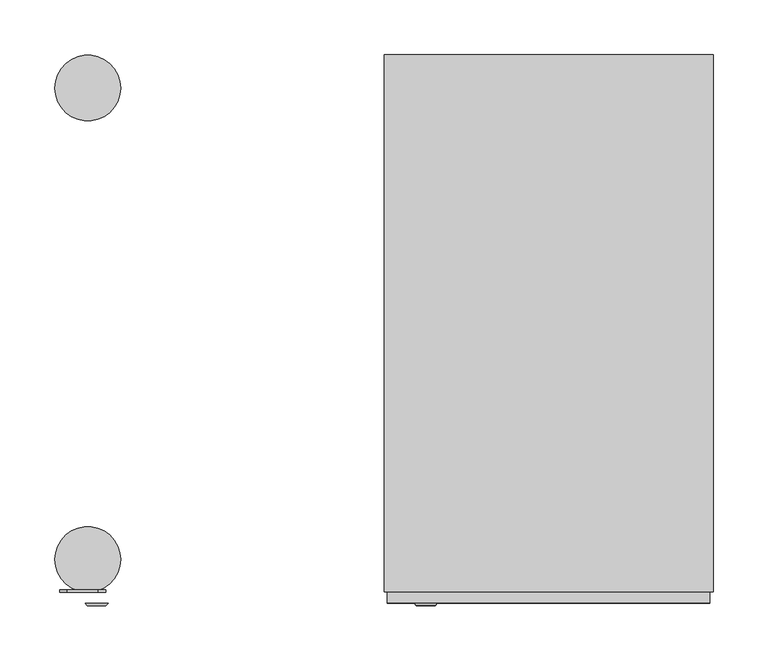
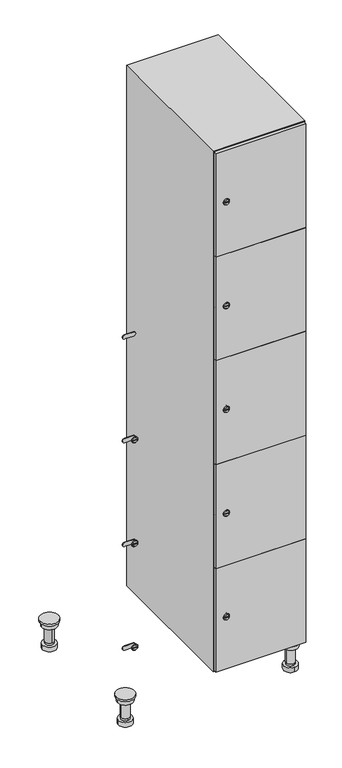
"""IFC4 building model written with IfcOpenShell, lengths in millimetres: furniture geometry."""

from ifc_helpers import new_model, si_unit, point, frame, frame_2d, origin, place, context, project, spatial, polyline, circle_curve, trimmed, segment, composite_curve, outline, extrude, faceted_brep, source, transform, mapped, element, save
from ifc_brep_helpers import plane_surface, cylinder_surface, revolved_surface, advanced_brep


def furniture_24fc3f90(model_context):
    return source(origin(), model_context, "Body", "SolidModel", [
        advanced_brep(
        [(370.0, -201.0, 22.0), (370.0, -201.5, 16.0), (370.0, -228.5, 16.0), (370.0, -229.0, 22.0), (356.0, -215.0, 22.0), (384.0, -215.0, 22.0), (370.0, -192.5, 16.0), (370.0, -237.5, 16.0), (370.0, -192.5, 0.0), (370.0, -237.5, 0.0), (384.0, -215.0, 78.0), (356.0, -215.0, 78.0), (395.0, -215.0, 78.0), (345.0, -215.0, 78.0), (400.0, -215.0, 94.0), (340.0, -215.0, 94.0), (345.0, -215.0, 94.0), (395.0, -215.0, 94.0), (400.0, -215.0, 100.0), (340.0, -215.0, 100.0)],
        [
            (0, 1),
            (1, 2, circle_curve(frame((370.0, -215.0, 16.0), z_axis=(0.0, 0.0, 1.0), x_axis=(0.0, -1.0, 0.0)), 13.5)),
            (2, 3),
            (3, 4, circle_curve(frame((370.0, -215.0, 22.0), z_axis=(0.0, 0.0, -1.0), x_axis=(0.0, -1.0, 0.0)), 14.0)),
            (4, 0, circle_curve(frame((370.0, -215.0, 22.0), z_axis=(0.0, 0.0, -1.0), x_axis=(0.0, -1.0, 0.0)), 14.0)),
            (0, 5, circle_curve(frame((370.0, -215.0, 22.0), z_axis=(0.0, 0.0, -1.0), x_axis=(0.0, 1.0, 0.0)), 14.0)),
            (5, 3, circle_curve(frame((370.0, -215.0, 22.0), z_axis=(0.0, 0.0, -1.0), x_axis=(0.0, 1.0, 0.0)), 14.0)),
            (2, 1, circle_curve(frame((370.0, -215.0, 16.0), z_axis=(0.0, 0.0, 1.0), x_axis=(0.0, 1.0, 0.0)), 13.5)),
            (6, 7, circle_curve(frame((370.0, -215.0, 16.0), z_axis=(0.0, 0.0, 1.0), x_axis=(0.0, -1.0, 0.0)), 22.5)),
            (7, 6, circle_curve(frame((370.0, -215.0, 16.0), z_axis=(0.0, 0.0, 1.0), x_axis=(0.0, -1.0, 0.0)), 22.5)),
            (8, 9, circle_curve(frame((370.0, -215.0, 0.0), z_axis=(0.0, 0.0, -1.0), x_axis=(0.0, -1.0, 0.0)), 22.5)),
            (9, 8, circle_curve(frame((370.0, -215.0, 0.0), z_axis=(0.0, 0.0, -1.0), x_axis=(0.0, -1.0, 0.0)), 22.5)),
            (6, 8),
            (9, 7),
            (5, 10),
            (10, 11, circle_curve(frame((370.0, -215.0, 78.0), z_axis=(0.0, 0.0, -1.0), x_axis=(-1.0, 0.0, 0.0)), 14.0)),
            (11, 4),
            (11, 10, circle_curve(frame((370.0, -215.0, 78.0), z_axis=(0.0, 0.0, -1.0), x_axis=(-1.0, 0.0, 0.0)), 14.0)),
            (12, 13, circle_curve(frame((370.0, -215.0, 78.0), z_axis=(0.0, 0.0, -1.0), x_axis=(-1.0, 0.0, 0.0)), 25.0)),
            (13, 12, circle_curve(frame((370.0, -215.0, 78.0), z_axis=(0.0, 0.0, -1.0), x_axis=(-1.0, 0.0, 0.0)), 25.0)),
            (14, 15, circle_curve(frame((370.0, -215.0, 94.0), z_axis=(0.0, 0.0, -1.0), x_axis=(-1.0, 0.0, 0.0)), 30.0)),
            (15, 14, circle_curve(frame((370.0, -215.0, 94.0), z_axis=(0.0, 0.0, -1.0), x_axis=(-1.0, 0.0, 0.0)), 30.0)),
            (16, 17, circle_curve(frame((370.0, -215.0, 94.0), z_axis=(0.0, 0.0, 1.0), x_axis=(-1.0, 0.0, 0.0)), 25.0)),
            (17, 16, circle_curve(frame((370.0, -215.0, 94.0), z_axis=(0.0, 0.0, 1.0), x_axis=(-1.0, 0.0, 0.0)), 25.0)),
            (18, 19, circle_curve(frame((370.0, -215.0, 100.0), z_axis=(0.0, 0.0, 1.0), x_axis=(-1.0, 0.0, 0.0)), 30.0)),
            (19, 18, circle_curve(frame((370.0, -215.0, 100.0), z_axis=(0.0, 0.0, 1.0), x_axis=(-1.0, 0.0, 0.0)), 30.0)),
            (14, 18),
            (19, 15),
            (12, 17),
            (16, 13),
        ],
        [
            revolved_surface(polyline([(370.0, -201.5, 16.0), (370.0, -201.0, 22.0)]), (370.0, -215.0, -146.0), (0.0, 0.0, 1.0)),
            plane_surface(frame((370.0, 0.0, 16.0), z_axis=(0.0, 0.0, 1.0), x_axis=(0.0, -1.0, 0.0))),
            plane_surface(frame((370.0, 0.0, 0.0), z_axis=(0.0, 0.0, -1.0), x_axis=(0.0, -1.0, 0.0))),
            cylinder_surface(frame((370.0, -215.0, 16.0), z_axis=(0.0, 0.0, 1.0), x_axis=(0.0, -1.0, 0.0)), 22.5),
            cylinder_surface(frame((370.0, -215.0, 22.0), z_axis=(0.0, 0.0, -1.0), x_axis=(-1.0, 0.0, 0.0)), 14.0),
            plane_surface(frame((370.0, 0.0, 78.0), z_axis=(0.0, 0.0, -1.0), x_axis=(0.0, -1.0, 0.0))),
            plane_surface(frame((370.0, 0.0, 94.0), z_axis=(0.0, 0.0, -1.0), x_axis=(0.0, -1.0, 0.0))),
            plane_surface(frame((370.0, 0.0, 100.0), z_axis=(0.0, 0.0, 1.0), x_axis=(0.0, -1.0, 0.0))),
            cylinder_surface(frame((370.0, -215.0, 94.0), z_axis=(0.0, 0.0, -1.0), x_axis=(-1.0, 0.0, 0.0)), 30.0),
            cylinder_surface(frame((370.0, -215.0, 78.0), z_axis=(0.0, 0.0, -1.0), x_axis=(-1.0, 0.0, 0.0)), 25.0),
        ],
        [
            (0, [[1, 2, 3, 4, 5]]),
            (0, [[-1, 6, 7, -3, 8]]),
            (1, [[9, 10], [-2, -8]]),
            (2, [[11, 12]]),
            (3, [[-9, 13, -12, 14]]),
            (3, [[-10, -14, -11, -13]]),
            (4, [[15, 16, 17, -4, -7]]),
            (4, [[-15, -6, -5, -17, 18]]),
            (5, [[19, 20], [-16, -18]]),
            (6, [[21, 22], [23, 24]]),
            (7, [[25, 26]]),
            (8, [[-21, 27, -26, 28]]),
            (8, [[-22, -28, -25, -27]]),
            (9, [[-19, 29, -23, 30]]),
            (9, [[-20, -30, -24, -29]]),
        ],
    ),
        advanced_brep(
        [(-170.0, -201.0, 22.0), (-170.0, -201.5, 16.0), (-170.0, -228.5, 16.0), (-170.0, -229.0, 22.0), (-184.0, -215.0, 22.0), (-156.0, -215.0, 22.0), (-147.5, -215.0, 0.0), (-192.5, -215.0, 0.0), (-147.5, -215.0, 16.0), (-192.5, -215.0, 16.0), (-156.0, -215.0, 78.0), (-184.0, -215.0, 78.0), (-145.0, -215.0, 78.0), (-195.0, -215.0, 78.0), (-140.0, -215.0, 94.0), (-200.0, -215.0, 94.0), (-195.0, -215.0, 94.0), (-145.0, -215.0, 94.0), (-140.0, -215.0, 100.0), (-200.0, -215.0, 100.0)],
        [
            (0, 1),
            (1, 2, circle_curve(frame((-170.0, -215.0, 16.0), z_axis=(0.0, 0.0, 1.0), x_axis=(0.0, -1.0, 0.0)), 13.5)),
            (2, 3),
            (3, 4, circle_curve(frame((-170.0, -215.0, 22.0), z_axis=(0.0, 0.0, -1.0), x_axis=(0.0, -1.0, 0.0)), 14.0)),
            (4, 0, circle_curve(frame((-170.0, -215.0, 22.0), z_axis=(0.0, 0.0, -1.0), x_axis=(0.0, -1.0, 0.0)), 14.0)),
            (0, 5, circle_curve(frame((-170.0, -215.0, 22.0), z_axis=(0.0, 0.0, -1.0), x_axis=(0.0, 1.0, 0.0)), 14.0)),
            (5, 3, circle_curve(frame((-170.0, -215.0, 22.0), z_axis=(0.0, 0.0, -1.0), x_axis=(0.0, 1.0, 0.0)), 14.0)),
            (2, 1, circle_curve(frame((-170.0, -215.0, 16.0), z_axis=(0.0, 0.0, 1.0), x_axis=(0.0, 1.0, 0.0)), 13.5)),
            (6, 7, circle_curve(frame((-170.0, -215.0, 0.0), z_axis=(0.0, 0.0, -1.0), x_axis=(-1.0, 0.0, 0.0)), 22.5)),
            (7, 6, circle_curve(frame((-170.0, -215.0, 0.0), z_axis=(0.0, 0.0, -1.0), x_axis=(-1.0, 0.0, 0.0)), 22.5)),
            (8, 9, circle_curve(frame((-170.0, -215.0, 16.0), z_axis=(0.0, 0.0, 1.0), x_axis=(-1.0, 0.0, 0.0)), 22.5)),
            (9, 8, circle_curve(frame((-170.0, -215.0, 16.0), z_axis=(0.0, 0.0, 1.0), x_axis=(-1.0, 0.0, 0.0)), 22.5)),
            (6, 8),
            (9, 7),
            (5, 10),
            (10, 11, circle_curve(frame((-170.0, -215.0, 78.0), z_axis=(0.0, 0.0, -1.0), x_axis=(-1.0, 0.0, 0.0)), 14.0)),
            (11, 4),
            (11, 10, circle_curve(frame((-170.0, -215.0, 78.0), z_axis=(0.0, 0.0, -1.0), x_axis=(-1.0, 0.0, 0.0)), 14.0)),
            (12, 13, circle_curve(frame((-170.0, -215.0, 78.0), z_axis=(0.0, 0.0, -1.0), x_axis=(-1.0, 0.0, 0.0)), 25.0)),
            (13, 12, circle_curve(frame((-170.0, -215.0, 78.0), z_axis=(0.0, 0.0, -1.0), x_axis=(-1.0, 0.0, 0.0)), 25.0)),
            (14, 15, circle_curve(frame((-170.0, -215.0, 94.0), z_axis=(0.0, 0.0, -1.0), x_axis=(-1.0, 0.0, 0.0)), 30.0)),
            (15, 14, circle_curve(frame((-170.0, -215.0, 94.0), z_axis=(0.0, 0.0, -1.0), x_axis=(-1.0, 0.0, 0.0)), 30.0)),
            (16, 17, circle_curve(frame((-170.0, -215.0, 94.0), z_axis=(0.0, 0.0, 1.0), x_axis=(-1.0, 0.0, 0.0)), 25.0)),
            (17, 16, circle_curve(frame((-170.0, -215.0, 94.0), z_axis=(0.0, 0.0, 1.0), x_axis=(-1.0, 0.0, 0.0)), 25.0)),
            (18, 19, circle_curve(frame((-170.0, -215.0, 100.0), z_axis=(0.0, 0.0, 1.0), x_axis=(-1.0, 0.0, 0.0)), 30.0)),
            (19, 18, circle_curve(frame((-170.0, -215.0, 100.0), z_axis=(0.0, 0.0, 1.0), x_axis=(-1.0, 0.0, 0.0)), 30.0)),
            (14, 18),
            (19, 15),
            (12, 17),
            (16, 13),
        ],
        [
            revolved_surface(polyline([(-170.0, -201.5, 16.0), (-170.0, -201.0, 22.0)]), (-170.0, -215.0, -146.0), (0.0, 0.0, 1.0)),
            plane_surface(frame((-170.0, 0.0, 0.0), z_axis=(0.0, 0.0, -1.0), x_axis=(0.0, -1.0, 0.0))),
            plane_surface(frame((-170.0, 0.0, 16.0), z_axis=(0.0, 0.0, 1.0), x_axis=(0.0, -1.0, 0.0))),
            cylinder_surface(frame((-170.0, -215.0, 0.0), z_axis=(0.0, 0.0, -1.0), x_axis=(-1.0, 0.0, 0.0)), 22.5),
            cylinder_surface(frame((-170.0, -215.0, 22.0), z_axis=(0.0, 0.0, -1.0), x_axis=(-1.0, 0.0, 0.0)), 14.0),
            plane_surface(frame((-170.0, 0.0, 78.0), z_axis=(0.0, 0.0, -1.0), x_axis=(0.0, -1.0, 0.0))),
            plane_surface(frame((-170.0, 0.0, 94.0), z_axis=(0.0, 0.0, -1.0), x_axis=(0.0, -1.0, 0.0))),
            plane_surface(frame((-170.0, 0.0, 100.0), z_axis=(0.0, 0.0, 1.0), x_axis=(0.0, -1.0, 0.0))),
            cylinder_surface(frame((-170.0, -215.0, 94.0), z_axis=(0.0, 0.0, -1.0), x_axis=(-1.0, 0.0, 0.0)), 30.0),
            cylinder_surface(frame((-170.0, -215.0, 78.0), z_axis=(0.0, 0.0, -1.0), x_axis=(-1.0, 0.0, 0.0)), 25.0),
        ],
        [
            (0, [[1, 2, 3, 4, 5]]),
            (0, [[-1, 6, 7, -3, 8]]),
            (1, [[9, 10]]),
            (2, [[11, 12], [-2, -8]]),
            (3, [[-9, 13, -12, 14]]),
            (3, [[-10, -14, -11, -13]]),
            (4, [[15, 16, 17, -4, -7]]),
            (4, [[-15, -6, -5, -17, 18]]),
            (5, [[19, 20], [-16, -18]]),
            (6, [[21, 22], [23, 24]]),
            (7, [[25, 26]]),
            (8, [[-21, 27, -26, 28]]),
            (8, [[-22, -28, -25, -27]]),
            (9, [[-19, 29, -23, 30]]),
            (9, [[-20, -30, -24, -29]]),
        ],
    ),
        advanced_brep(
        [(383.5, 215.0, 16.0), (384.0, 215.0, 22.0), (356.0, 215.0, 22.0), (356.5, 215.0, 16.0), (392.5, 215.0, 0.0), (347.5, 215.0, 0.0), (392.5, 215.0, 16.0), (347.5, 215.0, 16.0), (384.0, 215.0, 78.0), (356.0, 215.0, 78.0), (395.0, 215.0, 78.0), (345.0, 215.0, 78.0), (400.0, 215.0, 94.0), (340.0, 215.0, 94.0), (345.0, 215.0, 94.0), (395.0, 215.0, 94.0), (400.0, 215.0, 100.0), (340.0, 215.0, 100.0)],
        [
            (0, 1),
            (1, 2, circle_curve(frame((370.0, 215.0, 22.0), z_axis=(0.0, 0.0, -1.0), x_axis=(-1.0, 0.0, 0.0)), 14.0)),
            (2, 3),
            (3, 0, circle_curve(frame((370.0, 215.0, 16.0), z_axis=(0.0, 0.0, 1.0), x_axis=(-1.0, 0.0, 0.0)), 13.5)),
            (0, 3, circle_curve(frame((370.0, 215.0, 16.0), z_axis=(0.0, 0.0, 1.0), x_axis=(1.0, 0.0, 0.0)), 13.5)),
            (2, 1, circle_curve(frame((370.0, 215.0, 22.0), z_axis=(0.0, 0.0, -1.0), x_axis=(1.0, 0.0, 0.0)), 14.0)),
            (4, 5, circle_curve(frame((370.0, 215.0, 0.0), z_axis=(0.0, 0.0, -1.0), x_axis=(-1.0, 0.0, 0.0)), 22.5)),
            (5, 4, circle_curve(frame((370.0, 215.0, 0.0), z_axis=(0.0, 0.0, -1.0), x_axis=(-1.0, 0.0, 0.0)), 22.5)),
            (6, 7, circle_curve(frame((370.0, 215.0, 16.0), z_axis=(0.0, 0.0, 1.0), x_axis=(-1.0, 0.0, 0.0)), 22.5)),
            (7, 6, circle_curve(frame((370.0, 215.0, 16.0), z_axis=(0.0, 0.0, 1.0), x_axis=(-1.0, 0.0, 0.0)), 22.5)),
            (4, 6),
            (7, 5),
            (1, 8),
            (8, 9, circle_curve(frame((370.0, 215.0, 78.0), z_axis=(0.0, 0.0, -1.0), x_axis=(-1.0, 0.0, 0.0)), 14.0)),
            (9, 2),
            (9, 8, circle_curve(frame((370.0, 215.0, 78.0), z_axis=(0.0, 0.0, -1.0), x_axis=(-1.0, 0.0, 0.0)), 14.0)),
            (10, 11, circle_curve(frame((370.0, 215.0, 78.0), z_axis=(0.0, 0.0, -1.0), x_axis=(-1.0, 0.0, 0.0)), 25.0)),
            (11, 10, circle_curve(frame((370.0, 215.0, 78.0), z_axis=(0.0, 0.0, -1.0), x_axis=(-1.0, 0.0, 0.0)), 25.0)),
            (12, 13, circle_curve(frame((370.0, 215.0, 94.0), z_axis=(0.0, 0.0, -1.0), x_axis=(-1.0, 0.0, 0.0)), 30.0)),
            (13, 12, circle_curve(frame((370.0, 215.0, 94.0), z_axis=(0.0, 0.0, -1.0), x_axis=(-1.0, 0.0, 0.0)), 30.0)),
            (14, 15, circle_curve(frame((370.0, 215.0, 94.0), z_axis=(0.0, 0.0, 1.0), x_axis=(-1.0, 0.0, 0.0)), 25.0)),
            (15, 14, circle_curve(frame((370.0, 215.0, 94.0), z_axis=(0.0, 0.0, 1.0), x_axis=(-1.0, 0.0, 0.0)), 25.0)),
            (16, 17, circle_curve(frame((370.0, 215.0, 100.0), z_axis=(0.0, 0.0, 1.0), x_axis=(-1.0, 0.0, 0.0)), 30.0)),
            (17, 16, circle_curve(frame((370.0, 215.0, 100.0), z_axis=(0.0, 0.0, 1.0), x_axis=(-1.0, 0.0, 0.0)), 30.0)),
            (12, 16),
            (17, 13),
            (10, 15),
            (14, 11),
        ],
        [
            revolved_surface(polyline([(383.5, 215.0, 16.0), (384.0, 215.0, 22.0)]), (370.0, 215.0, -146.0), (0.0, 0.0, 1.0)),
            plane_surface(frame((370.0, 0.0, 0.0), z_axis=(0.0, 0.0, -1.0), x_axis=(0.0, -1.0, 0.0))),
            plane_surface(frame((370.0, 0.0, 16.0), z_axis=(0.0, 0.0, 1.0), x_axis=(0.0, -1.0, 0.0))),
            cylinder_surface(frame((370.0, 215.0, 0.0), z_axis=(0.0, 0.0, -1.0), x_axis=(-1.0, 0.0, 0.0)), 22.5),
            cylinder_surface(frame((370.0, 215.0, 22.0), z_axis=(0.0, 0.0, -1.0), x_axis=(-1.0, 0.0, 0.0)), 14.0),
            plane_surface(frame((370.0, 0.0, 78.0), z_axis=(0.0, 0.0, -1.0), x_axis=(0.0, -1.0, 0.0))),
            plane_surface(frame((370.0, 0.0, 94.0), z_axis=(0.0, 0.0, -1.0), x_axis=(0.0, -1.0, 0.0))),
            plane_surface(frame((370.0, 0.0, 100.0), z_axis=(0.0, 0.0, 1.0), x_axis=(0.0, -1.0, 0.0))),
            cylinder_surface(frame((370.0, 215.0, 94.0), z_axis=(0.0, 0.0, -1.0), x_axis=(-1.0, 0.0, 0.0)), 30.0),
            cylinder_surface(frame((370.0, 215.0, 78.0), z_axis=(0.0, 0.0, -1.0), x_axis=(-1.0, 0.0, 0.0)), 25.0),
        ],
        [
            (0, [[1, 2, 3, 4]]),
            (0, [[-1, 5, -3, 6]]),
            (1, [[7, 8]]),
            (2, [[9, 10], [-4, -5]]),
            (3, [[-7, 11, -10, 12]]),
            (3, [[-8, -12, -9, -11]]),
            (4, [[13, 14, 15, -2]]),
            (4, [[-13, -6, -15, 16]]),
            (5, [[17, 18], [-14, -16]]),
            (6, [[19, 20], [21, 22]]),
            (7, [[23, 24]]),
            (8, [[-19, 25, -24, 26]]),
            (8, [[-20, -26, -23, -25]]),
            (9, [[-17, 27, -21, 28]]),
            (9, [[-18, -28, -22, -27]]),
        ],
    ),
        advanced_brep(
        [(-156.5, 215.0, 16.0), (-156.0, 215.0, 22.0), (-170.0, 201.0, 22.0), (-184.0, 215.0, 22.0), (-183.5, 215.0, 16.0), (-170.0, 229.0, 22.0), (-147.5, 215.0, 0.0), (-192.5, 215.0, 0.0), (-147.5, 215.0, 16.0), (-192.5, 215.0, 16.0), (-170.0, 229.0, 78.0), (-170.0, 201.0, 78.0), (-145.0, 215.0, 78.0), (-195.0, 215.0, 78.0), (-140.0, 215.0, 94.0), (-200.0, 215.0, 94.0), (-195.0, 215.0, 94.0), (-145.0, 215.0, 94.0), (-140.0, 215.0, 100.0), (-200.0, 215.0, 100.0)],
        [
            (0, 1),
            (1, 2, circle_curve(frame((-170.0, 215.0, 22.0), z_axis=(0.0, 0.0, -1.0), x_axis=(-1.0, 0.0, 0.0)), 14.0)),
            (2, 3, circle_curve(frame((-170.0, 215.0, 22.0), z_axis=(0.0, 0.0, -1.0), x_axis=(-1.0, 0.0, 0.0)), 14.0)),
            (3, 4),
            (4, 0, circle_curve(frame((-170.0, 215.0, 16.0), z_axis=(0.0, 0.0, 1.0), x_axis=(-1.0, 0.0, 0.0)), 13.5)),
            (0, 4, circle_curve(frame((-170.0, 215.0, 16.0), z_axis=(0.0, 0.0, 1.0), x_axis=(1.0, 0.0, 0.0)), 13.5)),
            (3, 5, circle_curve(frame((-170.0, 215.0, 22.0), z_axis=(0.0, 0.0, -1.0), x_axis=(1.0, 0.0, 0.0)), 14.0)),
            (5, 1, circle_curve(frame((-170.0, 215.0, 22.0), z_axis=(0.0, 0.0, -1.0), x_axis=(1.0, 0.0, 0.0)), 14.0)),
            (6, 7, circle_curve(frame((-170.0, 215.0, 0.0), z_axis=(0.0, 0.0, -1.0), x_axis=(-1.0, 0.0, 0.0)), 22.5)),
            (7, 6, circle_curve(frame((-170.0, 215.0, 0.0), z_axis=(0.0, 0.0, -1.0), x_axis=(-1.0, 0.0, 0.0)), 22.5)),
            (8, 9, circle_curve(frame((-170.0, 215.0, 16.0), z_axis=(0.0, 0.0, 1.0), x_axis=(-1.0, 0.0, 0.0)), 22.5)),
            (9, 8, circle_curve(frame((-170.0, 215.0, 16.0), z_axis=(0.0, 0.0, 1.0), x_axis=(-1.0, 0.0, 0.0)), 22.5)),
            (6, 8),
            (9, 7),
            (10, 5),
            (2, 11),
            (11, 10, circle_curve(frame((-170.0, 215.0, 78.0), z_axis=(0.0, 0.0, -1.0), x_axis=(0.0, -1.0, 0.0)), 14.0)),
            (10, 11, circle_curve(frame((-170.0, 215.0, 78.0), z_axis=(0.0, 0.0, -1.0), x_axis=(0.0, -1.0, 0.0)), 14.0)),
            (12, 13, circle_curve(frame((-170.0, 215.0, 78.0), z_axis=(0.0, 0.0, -1.0), x_axis=(-1.0, 0.0, 0.0)), 25.0)),
            (13, 12, circle_curve(frame((-170.0, 215.0, 78.0), z_axis=(0.0, 0.0, -1.0), x_axis=(-1.0, 0.0, 0.0)), 25.0)),
            (14, 15, circle_curve(frame((-170.0, 215.0, 94.0), z_axis=(0.0, 0.0, -1.0), x_axis=(-1.0, 0.0, 0.0)), 30.0)),
            (15, 14, circle_curve(frame((-170.0, 215.0, 94.0), z_axis=(0.0, 0.0, -1.0), x_axis=(-1.0, 0.0, 0.0)), 30.0)),
            (16, 17, circle_curve(frame((-170.0, 215.0, 94.0), z_axis=(0.0, 0.0, 1.0), x_axis=(-1.0, 0.0, 0.0)), 25.0)),
            (17, 16, circle_curve(frame((-170.0, 215.0, 94.0), z_axis=(0.0, 0.0, 1.0), x_axis=(-1.0, 0.0, 0.0)), 25.0)),
            (18, 19, circle_curve(frame((-170.0, 215.0, 100.0), z_axis=(0.0, 0.0, 1.0), x_axis=(-1.0, 0.0, 0.0)), 30.0)),
            (19, 18, circle_curve(frame((-170.0, 215.0, 100.0), z_axis=(0.0, 0.0, 1.0), x_axis=(-1.0, 0.0, 0.0)), 30.0)),
            (14, 18),
            (19, 15),
            (12, 17),
            (16, 13),
        ],
        [
            revolved_surface(polyline([(-156.5, 215.0, 16.0), (-156.0, 215.0, 22.0)]), (-170.0, 215.0, -146.0), (0.0, 0.0, 1.0)),
            plane_surface(frame((-170.0, 0.0, 0.0), z_axis=(0.0, 0.0, -1.0), x_axis=(0.0, -1.0, 0.0))),
            plane_surface(frame((-170.0, 0.0, 16.0), z_axis=(0.0, 0.0, 1.0), x_axis=(0.0, -1.0, 0.0))),
            cylinder_surface(frame((-170.0, 215.0, 0.0), z_axis=(0.0, 0.0, -1.0), x_axis=(-1.0, 0.0, 0.0)), 22.5),
            cylinder_surface(frame((-170.0, 215.0, 78.0), z_axis=(0.0, 0.0, 1.0), x_axis=(0.0, -1.0, 0.0)), 14.0),
            plane_surface(frame((-170.0, 0.0, 78.0), z_axis=(0.0, 0.0, -1.0), x_axis=(0.0, -1.0, 0.0))),
            plane_surface(frame((-170.0, 0.0, 94.0), z_axis=(0.0, 0.0, -1.0), x_axis=(0.0, -1.0, 0.0))),
            plane_surface(frame((-170.0, 0.0, 100.0), z_axis=(0.0, 0.0, 1.0), x_axis=(0.0, -1.0, 0.0))),
            cylinder_surface(frame((-170.0, 215.0, 94.0), z_axis=(0.0, 0.0, -1.0), x_axis=(-1.0, 0.0, 0.0)), 30.0),
            cylinder_surface(frame((-170.0, 215.0, 78.0), z_axis=(0.0, 0.0, -1.0), x_axis=(-1.0, 0.0, 0.0)), 25.0),
        ],
        [
            (0, [[1, 2, 3, 4, 5]]),
            (0, [[-1, 6, -4, 7, 8]]),
            (1, [[9, 10]]),
            (2, [[11, 12], [-5, -6]]),
            (3, [[-9, 13, -12, 14]]),
            (3, [[-10, -14, -11, -13]]),
            (4, [[15, -7, -3, 16, 17]]),
            (4, [[-15, 18, -16, -2, -8]]),
            (5, [[19, 20], [-17, -18]]),
            (6, [[21, 22], [23, 24]]),
            (7, [[25, 26]]),
            (8, [[-21, 27, -26, 28]]),
            (8, [[-22, -28, -25, -27]]),
            (9, [[-19, 29, -23, 30]]),
            (9, [[-20, -30, -24, -29]]),
        ],
    ),
        extrude(outline(composite_curve([segment(trimmed(circle_curve(frame_2d((282.4, 111.2010534)), 7.0), [point((289.4, 111.2010534))], [point((275.4, 111.2010534))], False, "CARTESIAN"), True, "CONTINUOUS"), segment(polyline([(275.4, 111.2010534), (275.4, 139.2010534)]), True, "CONTINUOUS"), segment(trimmed(circle_curve(frame_2d((282.4, 139.2010534)), 7.0), [point((275.4, 139.2010534))], [point((289.4, 139.2010534))], False, "CARTESIAN"), True, "CONTINUOUS"), segment(polyline([(289.4, 139.2010534), (289.4, 111.2010534)]), True, "CONTINUOUS")], self_intersect=False)), frame((0.0, -245.0, 0.0), z_axis=(0.0, 1.0, 0.0), x_axis=(0.0, 0.0, 1.0)), (0.0, 0.0, 1.0), 2.0),
        advanced_brep(
        [(146.5, -257.2, 282.4), (129.5, -257.2, 282.4), (133.0, -257.2, 281.15), (133.0, -257.2, 283.65), (143.0, -257.2, 283.65), (143.0, -257.2, 281.15), (148.5, -255.0, 282.4), (127.5, -255.0, 282.4), (133.0, -255.0, 283.65), (133.0, -255.0, 281.15), (143.0, -255.0, 281.15), (143.0, -255.0, 283.65)],
        [
            (0, 1, circle_curve(frame((138.0, -257.2, 282.4), z_axis=(0.0, -1.0, 0.0), x_axis=(1.0, 0.0, 0.0)), 8.5)),
            (1, 0, circle_curve(frame((138.0, -257.2, 282.4), z_axis=(0.0, -1.0, 0.0), x_axis=(-1.0, 0.0, 0.0)), 8.5)),
            (2, 3),
            (3, 4),
            (4, 5),
            (5, 2),
            (6, 7, circle_curve(frame((138.0, -255.0, 282.4), z_axis=(0.0, 1.0, 0.0), x_axis=(-1.0, 0.0, 0.0)), 10.5)),
            (7, 6, circle_curve(frame((138.0, -255.0, 282.4), z_axis=(0.0, 1.0, 0.0), x_axis=(1.0, 0.0, 0.0)), 10.5)),
            (8, 9),
            (9, 10),
            (10, 11),
            (11, 8),
            (0, 6),
            (7, 1),
            (8, 3),
            (2, 9),
            (11, 4),
            (10, 5),
        ],
        [
            plane_surface(frame((138.0, -257.2, 282.4), z_axis=(0.0, -1.0, 0.0), x_axis=(0.0, 0.0, 1.0))),
            plane_surface(frame((138.0, -255.0, 282.4), z_axis=(0.0, 1.0, 0.0), x_axis=(0.0, 0.0, 1.0))),
            revolved_surface(polyline([(146.5, -257.2, 282.4), (148.5, -255.0, 282.4)]), (138.0, -266.55, 282.4), (0.0, 1.0, 0.0)),
            revolved_surface(polyline([(129.5, -257.2, 282.4), (127.5, -255.0, 282.4)]), (138.0, -266.55, 282.4), (0.0, 1.0, 0.0)),
            plane_surface(frame((133.0, -255.0, 281.15), z_axis=(1.0, 0.0, 0.0), x_axis=(0.0, -1.0, 0.0))),
            plane_surface(frame((133.0, -255.0, 283.65), z_axis=(0.0, 0.0, -1.0), x_axis=(0.0, -1.0, 0.0))),
            plane_surface(frame((143.0, -255.0, 283.65), z_axis=(-1.0, 0.0, 0.0), x_axis=(0.0, -1.0, 0.0))),
            plane_surface(frame((143.0, -255.0, 281.15), z_axis=(0.0, 0.0, 1.0), x_axis=(0.0, -1.0, 0.0))),
        ],
        [
            (0, [[1, 2], [3, 4, 5, 6]]),
            (1, [[7, 8], [9, 10, 11, 12]]),
            (2, [[-1, 13, -8, 14]]),
            (3, [[-2, -14, -7, -13]]),
            (4, [[15, -3, 16, -9]]),
            (5, [[-15, -12, 17, -4]]),
            (6, [[-17, -11, 18, -5]]),
            (7, [[-16, -6, -18, -10]]),
        ],
    ),
        extrude(outline(composite_curve([segment(trimmed(circle_curve(frame_2d((641.2, 111.2010534)), 7.0), [point((648.2, 111.2010534))], [point((634.2, 111.2010534))], False, "CARTESIAN"), True, "CONTINUOUS"), segment(polyline([(634.2, 111.2010534), (634.2, 139.2010534)]), True, "CONTINUOUS"), segment(trimmed(circle_curve(frame_2d((641.2, 139.2010534)), 7.0), [point((634.2, 139.2010534))], [point((648.2, 139.2010534))], False, "CARTESIAN"), True, "CONTINUOUS"), segment(polyline([(648.2, 139.2010534), (648.2, 111.2010534)]), True, "CONTINUOUS")], self_intersect=False)), frame((0.0, -245.0, 0.0), z_axis=(0.0, 1.0, 0.0), x_axis=(0.0, 0.0, 1.0)), (0.0, 0.0, 1.0), 2.0),
        advanced_brep(
        [(146.5, -257.2, 641.2), (129.5, -257.2, 641.2), (133.0, -257.2, 639.95), (133.0, -257.2, 642.45), (143.0, -257.2, 642.45), (143.0, -257.2, 639.95), (148.5, -255.0, 641.2), (127.5, -255.0, 641.2), (133.0, -255.0, 642.45), (133.0, -255.0, 639.95), (143.0, -255.0, 639.95), (143.0, -255.0, 642.45)],
        [
            (0, 1, circle_curve(frame((138.0, -257.2, 641.2), z_axis=(0.0, -1.0, 0.0), x_axis=(1.0, 0.0, 0.0)), 8.5)),
            (1, 0, circle_curve(frame((138.0, -257.2, 641.2), z_axis=(0.0, -1.0, 0.0), x_axis=(-1.0, 0.0, 0.0)), 8.5)),
            (2, 3),
            (3, 4),
            (4, 5),
            (5, 2),
            (6, 7, circle_curve(frame((138.0, -255.0, 641.2), z_axis=(0.0, 1.0, 0.0), x_axis=(-1.0, 0.0, 0.0)), 10.5)),
            (7, 6, circle_curve(frame((138.0, -255.0, 641.2), z_axis=(0.0, 1.0, 0.0), x_axis=(1.0, 0.0, 0.0)), 10.5)),
            (8, 9),
            (9, 10),
            (10, 11),
            (11, 8),
            (0, 6),
            (7, 1),
            (8, 3),
            (2, 9),
            (11, 4),
            (10, 5),
        ],
        [
            plane_surface(frame((138.0, -257.2, 641.2), z_axis=(0.0, -1.0, 0.0), x_axis=(0.0, 0.0, 1.0))),
            plane_surface(frame((138.0, -255.0, 641.2), z_axis=(0.0, 1.0, 0.0), x_axis=(0.0, 0.0, 1.0))),
            revolved_surface(polyline([(146.5, -257.2, 641.2), (148.5, -255.0, 641.2)]), (138.0, -266.55, 641.2), (0.0, 1.0, 0.0)),
            revolved_surface(polyline([(129.5, -257.2, 641.2), (127.5, -255.0, 641.2)]), (138.0, -266.55, 641.2), (0.0, 1.0, 0.0)),
            plane_surface(frame((133.0, -255.0, 639.95), z_axis=(1.0, 0.0, 0.0), x_axis=(0.0, -1.0, 0.0))),
            plane_surface(frame((133.0, -255.0, 642.45), z_axis=(0.0, 0.0, -1.0), x_axis=(0.0, -1.0, 0.0))),
            plane_surface(frame((143.0, -255.0, 642.45), z_axis=(-1.0, 0.0, 0.0), x_axis=(0.0, -1.0, 0.0))),
            plane_surface(frame((143.0, -255.0, 639.95), z_axis=(0.0, 0.0, 1.0), x_axis=(0.0, -1.0, 0.0))),
        ],
        [
            (0, [[1, 2], [3, 4, 5, 6]]),
            (1, [[7, 8], [9, 10, 11, 12]]),
            (2, [[-1, 13, -8, 14]]),
            (3, [[-2, -14, -7, -13]]),
            (4, [[15, -3, 16, -9]]),
            (5, [[-15, -12, 17, -4]]),
            (6, [[-17, -11, 18, -5]]),
            (7, [[-16, -6, -18, -10]]),
        ],
    ),
        extrude(outline(composite_curve([segment(trimmed(circle_curve(frame_2d((1000.0, 111.2010534)), 7.0), [point((1007.0, 111.2010534))], [point((993.0, 111.2010534))], False, "CARTESIAN"), True, "CONTINUOUS"), segment(polyline([(993.0, 111.2010534), (993.0, 139.2010534)]), True, "CONTINUOUS"), segment(trimmed(circle_curve(frame_2d((1000.0, 139.2010534)), 7.0), [point((993.0, 139.2010534))], [point((1007.0, 139.2010534))], False, "CARTESIAN"), True, "CONTINUOUS"), segment(polyline([(1007.0, 139.2010534), (1007.0, 111.2010534)]), True, "CONTINUOUS")], self_intersect=False)), frame((0.0, -245.0, 0.0), z_axis=(0.0, 1.0, 0.0), x_axis=(0.0, 0.0, 1.0)), (0.0, 0.0, 1.0), 2.0),
        advanced_brep(
        [(146.5, -257.2, 1000.0), (129.5, -257.2, 1000.0), (133.0, -257.2, 998.75), (133.0, -257.2, 1001.25), (143.0, -257.2, 1001.25), (143.0, -257.2, 998.75), (148.5, -255.0, 1000.0), (127.5, -255.0, 1000.0), (133.0, -255.0, 1001.25), (133.0, -255.0, 998.75), (143.0, -255.0, 998.75), (143.0, -255.0, 1001.25)],
        [
            (0, 1, circle_curve(frame((138.0, -257.2, 1000.0), z_axis=(0.0, -1.0, 0.0), x_axis=(1.0, 0.0, 0.0)), 8.5)),
            (1, 0, circle_curve(frame((138.0, -257.2, 1000.0), z_axis=(0.0, -1.0, 0.0), x_axis=(-1.0, 0.0, 0.0)), 8.5)),
            (2, 3),
            (3, 4),
            (4, 5),
            (5, 2),
            (6, 7, circle_curve(frame((138.0, -255.0, 1000.0), z_axis=(0.0, 1.0, 0.0), x_axis=(-1.0, 0.0, 0.0)), 10.5)),
            (7, 6, circle_curve(frame((138.0, -255.0, 1000.0), z_axis=(0.0, 1.0, 0.0), x_axis=(1.0, 0.0, 0.0)), 10.5)),
            (8, 9),
            (9, 10),
            (10, 11),
            (11, 8),
            (0, 6),
            (7, 1),
            (8, 3),
            (2, 9),
            (11, 4),
            (10, 5),
        ],
        [
            plane_surface(frame((138.0, -257.2, 1000.0), z_axis=(0.0, -1.0, 0.0), x_axis=(0.0, 0.0, 1.0))),
            plane_surface(frame((138.0, -255.0, 1000.0), z_axis=(0.0, 1.0, 0.0), x_axis=(0.0, 0.0, 1.0))),
            revolved_surface(polyline([(146.5, -257.2, 1000.0), (148.5, -255.0, 1000.0)]), (138.0, -266.55, 1000.0), (0.0, 1.0, 0.0)),
            revolved_surface(polyline([(129.5, -257.2, 1000.0), (127.5, -255.0, 1000.0)]), (138.0, -266.55, 1000.0), (0.0, 1.0, 0.0)),
            plane_surface(frame((133.0, -255.0, 998.75), z_axis=(1.0, 0.0, 0.0), x_axis=(0.0, -1.0, 0.0))),
            plane_surface(frame((133.0, -255.0, 1001.25), z_axis=(0.0, 0.0, -1.0), x_axis=(0.0, -1.0, 0.0))),
            plane_surface(frame((143.0, -255.0, 1001.25), z_axis=(-1.0, 0.0, 0.0), x_axis=(0.0, -1.0, 0.0))),
            plane_surface(frame((143.0, -255.0, 998.75), z_axis=(0.0, 0.0, 1.0), x_axis=(0.0, -1.0, 0.0))),
        ],
        [
            (0, [[1, 2], [3, 4, 5, 6]]),
            (1, [[7, 8], [9, 10, 11, 12]]),
            (2, [[-1, 13, -8, 14]]),
            (3, [[-2, -14, -7, -13]]),
            (4, [[15, -3, 16, -9]]),
            (5, [[-15, -12, 17, -4]]),
            (6, [[-17, -11, 18, -5]]),
            (7, [[-16, -6, -18, -10]]),
        ],
    ),
        extrude(outline(composite_curve([segment(trimmed(circle_curve(frame_2d((1358.8, 111.2010534)), 7.0), [point((1365.8, 111.2010534))], [point((1351.8, 111.2010534))], False, "CARTESIAN"), True, "CONTINUOUS"), segment(polyline([(1351.8, 111.2010534), (1351.8, 139.2010534)]), True, "CONTINUOUS"), segment(trimmed(circle_curve(frame_2d((1358.8, 139.2010534)), 7.0), [point((1351.8, 139.2010534))], [point((1365.8, 139.2010534))], False, "CARTESIAN"), True, "CONTINUOUS"), segment(polyline([(1365.8, 139.2010534), (1365.8, 111.2010534)]), True, "CONTINUOUS")], self_intersect=False)), frame((0.0, -245.0, 0.0), z_axis=(0.0, 1.0, 0.0), x_axis=(0.0, 0.0, 1.0)), (0.0, 0.0, 1.0), 2.0),
        advanced_brep(
        [(146.5, -257.2, 1358.8), (129.5, -257.2, 1358.8), (133.0, -257.2, 1357.55), (133.0, -257.2, 1360.05), (143.0, -257.2, 1360.05), (143.0, -257.2, 1357.55), (148.5, -255.0, 1358.8), (127.5, -255.0, 1358.8), (133.0, -255.0, 1360.05), (133.0, -255.0, 1357.55), (143.0, -255.0, 1357.55), (143.0, -255.0, 1360.05)],
        [
            (0, 1, circle_curve(frame((138.0, -257.2, 1358.8), z_axis=(0.0, -1.0, 0.0), x_axis=(1.0, 0.0, 0.0)), 8.5)),
            (1, 0, circle_curve(frame((138.0, -257.2, 1358.8), z_axis=(0.0, -1.0, 0.0), x_axis=(-1.0, 0.0, 0.0)), 8.5)),
            (2, 3),
            (3, 4),
            (4, 5),
            (5, 2),
            (6, 7, circle_curve(frame((138.0, -255.0, 1358.8), z_axis=(0.0, 1.0, 0.0), x_axis=(-1.0, 0.0, 0.0)), 10.5)),
            (7, 6, circle_curve(frame((138.0, -255.0, 1358.8), z_axis=(0.0, 1.0, 0.0), x_axis=(1.0, 0.0, 0.0)), 10.5)),
            (8, 9),
            (9, 10),
            (10, 11),
            (11, 8),
            (0, 6),
            (7, 1),
            (8, 3),
            (2, 9),
            (11, 4),
            (10, 5),
        ],
        [
            plane_surface(frame((138.0, -257.2, 1358.8), z_axis=(0.0, -1.0, 0.0), x_axis=(0.0, 0.0, 1.0))),
            plane_surface(frame((138.0, -255.0, 1358.8), z_axis=(0.0, 1.0, 0.0), x_axis=(0.0, 0.0, 1.0))),
            revolved_surface(polyline([(146.5, -257.2, 1358.8), (148.5, -255.0, 1358.8)]), (138.0, -266.55, 1358.8), (0.0, 1.0, 0.0)),
            revolved_surface(polyline([(129.5, -257.2, 1358.8), (127.5, -255.0, 1358.8)]), (138.0, -266.55, 1358.8), (0.0, 1.0, 0.0)),
            plane_surface(frame((133.0, -255.0, 1357.55), z_axis=(1.0, 0.0, 0.0), x_axis=(0.0, -1.0, 0.0))),
            plane_surface(frame((133.0, -255.0, 1360.05), z_axis=(0.0, 0.0, -1.0), x_axis=(0.0, -1.0, 0.0))),
            plane_surface(frame((143.0, -255.0, 1360.05), z_axis=(-1.0, 0.0, 0.0), x_axis=(0.0, -1.0, 0.0))),
            plane_surface(frame((143.0, -255.0, 1357.55), z_axis=(0.0, 0.0, 1.0), x_axis=(0.0, -1.0, 0.0))),
        ],
        [
            (0, [[1, 2], [3, 4, 5, 6]]),
            (1, [[7, 8], [9, 10, 11, 12]]),
            (2, [[-1, 13, -8, 14]]),
            (3, [[-2, -14, -7, -13]]),
            (4, [[15, -3, 16, -9]]),
            (5, [[-15, -12, 17, -4]]),
            (6, [[-17, -11, 18, -5]]),
            (7, [[-16, -6, -18, -10]]),
        ],
    ),
        extrude(outline(composite_curve([segment(trimmed(circle_curve(frame_2d((1717.6, 111.2010534)), 7.0), [point((1724.6, 111.2010534))], [point((1710.6, 111.2010534))], False, "CARTESIAN"), True, "CONTINUOUS"), segment(polyline([(1710.6, 111.2010534), (1710.6, 139.2010534)]), True, "CONTINUOUS"), segment(trimmed(circle_curve(frame_2d((1717.6, 139.2010534)), 7.0), [point((1710.6, 139.2010534))], [point((1724.6, 139.2010534))], False, "CARTESIAN"), True, "CONTINUOUS"), segment(polyline([(1724.6, 139.2010534), (1724.6, 111.2010534)]), True, "CONTINUOUS")], self_intersect=False)), frame((0.0, -245.0, 0.0), z_axis=(0.0, 1.0, 0.0), x_axis=(0.0, 0.0, 1.0)), (0.0, 0.0, 1.0), 2.0),
        advanced_brep(
        [(146.5, -257.2, 1717.6), (129.5, -257.2, 1717.6), (133.0, -257.2, 1716.35), (133.0, -257.2, 1718.85), (143.0, -257.2, 1718.85), (143.0, -257.2, 1716.35), (148.5, -255.0, 1717.6), (127.5, -255.0, 1717.6), (133.0, -255.0, 1718.85), (133.0, -255.0, 1716.35), (143.0, -255.0, 1716.35), (143.0, -255.0, 1718.85)],
        [
            (0, 1, circle_curve(frame((138.0, -257.2, 1717.6), z_axis=(0.0, -1.0, 0.0), x_axis=(1.0, 0.0, 0.0)), 8.5)),
            (1, 0, circle_curve(frame((138.0, -257.2, 1717.6), z_axis=(0.0, -1.0, 0.0), x_axis=(-1.0, 0.0, 0.0)), 8.5)),
            (2, 3),
            (3, 4),
            (4, 5),
            (5, 2),
            (6, 7, circle_curve(frame((138.0, -255.0, 1717.6), z_axis=(0.0, 1.0, 0.0), x_axis=(-1.0, 0.0, 0.0)), 10.5)),
            (7, 6, circle_curve(frame((138.0, -255.0, 1717.6), z_axis=(0.0, 1.0, 0.0), x_axis=(1.0, 0.0, 0.0)), 10.5)),
            (8, 9),
            (9, 10),
            (10, 11),
            (11, 8),
            (0, 6),
            (7, 1),
            (8, 3),
            (2, 9),
            (11, 4),
            (10, 5),
        ],
        [
            plane_surface(frame((138.0, -257.2, 1717.6), z_axis=(0.0, -1.0, 0.0), x_axis=(0.0, 0.0, 1.0))),
            plane_surface(frame((138.0, -255.0, 1717.6), z_axis=(0.0, 1.0, 0.0), x_axis=(0.0, 0.0, 1.0))),
            revolved_surface(polyline([(146.5, -257.2, 1717.6), (148.5, -255.0, 1717.6)]), (138.0, -266.55, 1717.6), (0.0, 1.0, 0.0)),
            revolved_surface(polyline([(129.5, -257.2, 1717.6), (127.5, -255.0, 1717.6)]), (138.0, -266.55, 1717.6), (0.0, 1.0, 0.0)),
            plane_surface(frame((133.0, -255.0, 1716.35), z_axis=(1.0, 0.0, 0.0), x_axis=(0.0, -1.0, 0.0))),
            plane_surface(frame((133.0, -255.0, 1718.85), z_axis=(0.0, 0.0, -1.0), x_axis=(0.0, -1.0, 0.0))),
            plane_surface(frame((143.0, -255.0, 1718.85), z_axis=(-1.0, 0.0, 0.0), x_axis=(0.0, -1.0, 0.0))),
            plane_surface(frame((143.0, -255.0, 1716.35), z_axis=(0.0, 0.0, 1.0), x_axis=(0.0, -1.0, 0.0))),
        ],
        [
            (0, [[1, 2], [3, 4, 5, 6]]),
            (1, [[7, 8], [9, 10, 11, 12]]),
            (2, [[-1, 13, -8, 14]]),
            (3, [[-2, -14, -7, -13]]),
            (4, [[15, -3, 16, -9]]),
            (5, [[-15, -12, 17, -4]]),
            (6, [[-17, -11, 18, -5]]),
            (7, [[-16, -6, -18, -10]]),
        ],
    ),
        extrude(outline(polyline([(397.0, -245.0), (397.0, -255.0), (103.0, -255.0), (103.0, -245.0), (397.0, -245.0)])), frame((0.0, 0.0, 820.1), z_axis=(0.0, 0.0, 1.0), x_axis=(1.0, 0.0, 0.0)), (0.0, 0.0, 1.0), 359.8),
        extrude(outline(polyline([(397.0, -245.0), (397.0, -255.0), (103.0, -255.0), (103.0, -245.0), (397.0, -245.0)])), frame((0.0, 0.0, 461.3), z_axis=(0.0, 0.0, 1.0), x_axis=(1.0, 0.0, 0.0)), (0.0, 0.0, 1.0), 359.8),
        extrude(outline(polyline([(397.0, -245.0), (397.0, -255.0), (103.0, -255.0), (103.0, -245.0), (397.0, -245.0)])), frame((0.0, 0.0, 1178.9), z_axis=(0.0, 0.0, 1.0), x_axis=(1.0, 0.0, 0.0)), (0.0, 0.0, 1.0), 358.8),
        extrude(outline(polyline([(103.0, -255.0), (103.0, -245.0), (397.0, -245.0), (397.0, -255.0), (103.0, -255.0)])), frame((0.0, 0.0, 1538.7), z_axis=(0.0, 0.0, 1.0), x_axis=(1.0, 0.0, 0.0)), (0.0, 0.0, 1.0), 358.3),
        extrude(outline(polyline([(397.0, -245.0), (397.0, -255.0), (103.0, -255.0), (103.0, -245.0), (397.0, -245.0)])), frame((0.0, 0.0, 103.0), z_axis=(0.0, 0.0, 1.0), x_axis=(1.0, 0.0, 0.0)), (0.0, 0.0, 1.0), 359.3),
        extrude(outline(polyline([(390.0, 241.0), (390.0, -235.0), (110.0, -235.0), (110.0, 241.0), (390.0, 241.0)])), frame((0.0, 0.0, 1529.0), z_axis=(0.0, 0.0, 1.0), x_axis=(1.0, 0.0, 0.0)), (0.0, 0.0, 1.0), 10.0),
        extrude(outline(polyline([(390.0, 241.0), (390.0, -235.0), (110.0, -235.0), (110.0, 241.0), (390.0, 241.0)])), frame((0.0, 0.0, 1173.0), z_axis=(0.0, 0.0, 1.0), x_axis=(1.0, 0.0, 0.0)), (0.0, 0.0, 1.0), 10.0),
        extrude(outline(polyline([(390.0, 241.0), (390.0, -235.0), (110.0, -235.0), (110.0, 241.0), (390.0, 241.0)])), frame((0.0, 0.0, 817.0), z_axis=(0.0, 0.0, 1.0), x_axis=(1.0, 0.0, 0.0)), (0.0, 0.0, 1.0), 10.0),
        extrude(outline(polyline([(110.0, 241.0), (390.0, 241.0), (390.0, -235.0), (110.0, -235.0), (110.0, 241.0)])), frame((0.0, 0.0, 461.0), z_axis=(0.0, 0.0, 1.0), x_axis=(1.0, 0.0, 0.0)), (0.0, 0.0, 1.0), 10.0),
        faceted_brep([(400.0, -245.0, 100.0), (400.0, -245.0, 1900.0), (100.0, -245.0, 1900.0), (100.0, -245.0, 100.0), (390.0, -245.0, 1890.0), (390.0, -245.0, 110.0), (110.0, -245.0, 110.0), (110.0, -245.0, 1890.0), (400.0, 245.0, 100.0), (100.0, 245.0, 100.0), (400.0, 245.0, 1900.0), (100.0, 245.0, 1900.0), (390.0, 241.0, 1890.0), (390.0, 241.0, 110.0), (100.0, 245.0, 1890.0), (110.0, 241.0, 1890.0), (110.0, 241.0, 110.0)], [[[0, 1, 2, 3], [4, 5, 6, 7]], [[8, 0, 3, 9]], [[1, 0, 8, 10]], [[1, 10, 11, 2]], [[4, 12, 13, 5]], [[9, 3, 2, 11, 14]], [[10, 8, 9, 14, 11]], [[12, 15, 16, 13]], [[15, 7, 6, 16]], [[4, 7, 15, 12]], [[6, 5, 13, 16]]]),
        extrude(outline(composite_curve([segment(trimmed(circle_curve(frame_2d((282.4, -188.7989466)), 7.0), [point((289.4, -188.7989466))], [point((275.4, -188.7989466))], False, "CARTESIAN"), True, "CONTINUOUS"), segment(polyline([(275.4, -188.7989466), (275.4, -160.7989466)]), True, "CONTINUOUS"), segment(trimmed(circle_curve(frame_2d((282.4, -160.7989466)), 7.0), [point((275.4, -160.7989466))], [point((289.4, -160.7989466))], False, "CARTESIAN"), True, "CONTINUOUS"), segment(polyline([(289.4, -160.7989466), (289.4, -188.7989466)]), True, "CONTINUOUS")], self_intersect=False)), frame((0.0, -245.0, 0.0), z_axis=(0.0, 1.0, 0.0), x_axis=(0.0, 0.0, 1.0)), (0.0, 0.0, 1.0), 2.0),
        advanced_brep(
        [(-153.5, -257.2, 282.4), (-170.5, -257.2, 282.4), (-167.0, -257.2, 281.15), (-167.0, -257.2, 283.65), (-157.0, -257.2, 283.65), (-157.0, -257.2, 281.15), (-151.5, -255.0, 282.4), (-172.5, -255.0, 282.4), (-167.0, -255.0, 283.65), (-167.0, -255.0, 281.15), (-157.0, -255.0, 281.15), (-157.0, -255.0, 283.65)],
        [
            (0, 1, circle_curve(frame((-162.0, -257.2, 282.4), z_axis=(0.0, -1.0, 0.0), x_axis=(1.0, 0.0, 0.0)), 8.5)),
            (1, 0, circle_curve(frame((-162.0, -257.2, 282.4), z_axis=(0.0, -1.0, 0.0), x_axis=(-1.0, 0.0, 0.0)), 8.5)),
            (2, 3),
            (3, 4),
            (4, 5),
            (5, 2),
            (6, 7, circle_curve(frame((-162.0, -255.0, 282.4), z_axis=(0.0, 1.0, 0.0), x_axis=(-1.0, 0.0, 0.0)), 10.5)),
            (7, 6, circle_curve(frame((-162.0, -255.0, 282.4), z_axis=(0.0, 1.0, 0.0), x_axis=(1.0, 0.0, 0.0)), 10.5)),
            (8, 9),
            (9, 10),
            (10, 11),
            (11, 8),
            (0, 6),
            (7, 1),
            (8, 3),
            (2, 9),
            (11, 4),
            (10, 5),
        ],
        [
            plane_surface(frame((-162.0, -257.2, 282.4), z_axis=(0.0, -1.0, 0.0), x_axis=(0.0, 0.0, 1.0))),
            plane_surface(frame((-162.0, -255.0, 282.4), z_axis=(0.0, 1.0, 0.0), x_axis=(0.0, 0.0, 1.0))),
            revolved_surface(polyline([(-153.5, -257.2, 282.4), (-151.5, -255.0, 282.4)]), (-162.0, -266.55, 282.4), (0.0, 1.0, 0.0)),
            revolved_surface(polyline([(-170.5, -257.2, 282.4), (-172.5, -255.0, 282.4)]), (-162.0, -266.55, 282.4), (0.0, 1.0, 0.0)),
            plane_surface(frame((-167.0, -255.0, 281.15), z_axis=(1.0, 0.0, 0.0), x_axis=(0.0, -1.0, 0.0))),
            plane_surface(frame((-167.0, -255.0, 283.65), z_axis=(0.0, 0.0, -1.0), x_axis=(0.0, -1.0, 0.0))),
            plane_surface(frame((-157.0, -255.0, 283.65), z_axis=(-1.0, 0.0, 0.0), x_axis=(0.0, -1.0, 0.0))),
            plane_surface(frame((-157.0, -255.0, 281.15), z_axis=(0.0, 0.0, 1.0), x_axis=(0.0, -1.0, 0.0))),
        ],
        [
            (0, [[1, 2], [3, 4, 5, 6]]),
            (1, [[7, 8], [9, 10, 11, 12]]),
            (2, [[-1, 13, -8, 14]]),
            (3, [[-2, -14, -7, -13]]),
            (4, [[15, -3, 16, -9]]),
            (5, [[-15, -12, 17, -4]]),
            (6, [[-17, -11, 18, -5]]),
            (7, [[-16, -6, -18, -10]]),
        ],
    ),
        extrude(outline(composite_curve([segment(trimmed(circle_curve(frame_2d((641.2, -188.7989466)), 7.0), [point((648.2, -188.7989466))], [point((634.2, -188.7989466))], False, "CARTESIAN"), True, "CONTINUOUS"), segment(polyline([(634.2, -188.7989466), (634.2, -160.7989466)]), True, "CONTINUOUS"), segment(trimmed(circle_curve(frame_2d((641.2, -160.7989466)), 7.0), [point((634.2, -160.7989466))], [point((648.2, -160.7989466))], False, "CARTESIAN"), True, "CONTINUOUS"), segment(polyline([(648.2, -160.7989466), (648.2, -188.7989466)]), True, "CONTINUOUS")], self_intersect=False)), frame((0.0, -245.0, 0.0), z_axis=(0.0, 1.0, 0.0), x_axis=(0.0, 0.0, 1.0)), (0.0, 0.0, 1.0), 2.0),
        advanced_brep(
        [(-153.5, -257.2, 641.2), (-170.5, -257.2, 641.2), (-167.0, -257.2, 639.95), (-167.0, -257.2, 642.45), (-157.0, -257.2, 642.45), (-157.0, -257.2, 639.95), (-151.5, -255.0, 641.2), (-172.5, -255.0, 641.2), (-167.0, -255.0, 642.45), (-167.0, -255.0, 639.95), (-157.0, -255.0, 639.95), (-157.0, -255.0, 642.45)],
        [
            (0, 1, circle_curve(frame((-162.0, -257.2, 641.2), z_axis=(0.0, -1.0, 0.0), x_axis=(1.0, 0.0, 0.0)), 8.5)),
            (1, 0, circle_curve(frame((-162.0, -257.2, 641.2), z_axis=(0.0, -1.0, 0.0), x_axis=(-1.0, 0.0, 0.0)), 8.5)),
            (2, 3),
            (3, 4),
            (4, 5),
            (5, 2),
            (6, 7, circle_curve(frame((-162.0, -255.0, 641.2), z_axis=(0.0, 1.0, 0.0), x_axis=(-1.0, 0.0, 0.0)), 10.5)),
            (7, 6, circle_curve(frame((-162.0, -255.0, 641.2), z_axis=(0.0, 1.0, 0.0), x_axis=(1.0, 0.0, 0.0)), 10.5)),
            (8, 9),
            (9, 10),
            (10, 11),
            (11, 8),
            (0, 6),
            (7, 1),
            (8, 3),
            (2, 9),
            (11, 4),
            (10, 5),
        ],
        [
            plane_surface(frame((-162.0, -257.2, 641.2), z_axis=(0.0, -1.0, 0.0), x_axis=(0.0, 0.0, 1.0))),
            plane_surface(frame((-162.0, -255.0, 641.2), z_axis=(0.0, 1.0, 0.0), x_axis=(0.0, 0.0, 1.0))),
            revolved_surface(polyline([(-153.5, -257.2, 641.2), (-151.5, -255.0, 641.2)]), (-162.0, -266.55, 641.2), (0.0, 1.0, 0.0)),
            revolved_surface(polyline([(-170.5, -257.2, 641.2), (-172.5, -255.0, 641.2)]), (-162.0, -266.55, 641.2), (0.0, 1.0, 0.0)),
            plane_surface(frame((-167.0, -255.0, 639.95), z_axis=(1.0, 0.0, 0.0), x_axis=(0.0, -1.0, 0.0))),
            plane_surface(frame((-167.0, -255.0, 642.45), z_axis=(0.0, 0.0, -1.0), x_axis=(0.0, -1.0, 0.0))),
            plane_surface(frame((-157.0, -255.0, 642.45), z_axis=(-1.0, 0.0, 0.0), x_axis=(0.0, -1.0, 0.0))),
            plane_surface(frame((-157.0, -255.0, 639.95), z_axis=(0.0, 0.0, 1.0), x_axis=(0.0, -1.0, 0.0))),
        ],
        [
            (0, [[1, 2], [3, 4, 5, 6]]),
            (1, [[7, 8], [9, 10, 11, 12]]),
            (2, [[-1, 13, -8, 14]]),
            (3, [[-2, -14, -7, -13]]),
            (4, [[15, -3, 16, -9]]),
            (5, [[-15, -12, 17, -4]]),
            (6, [[-17, -11, 18, -5]]),
            (7, [[-16, -6, -18, -10]]),
        ],
    ),
        extrude(outline(composite_curve([segment(trimmed(circle_curve(frame_2d((1000.0, -188.7989466)), 7.0), [point((1007.0, -188.7989466))], [point((993.0, -188.7989466))], False, "CARTESIAN"), True, "CONTINUOUS"), segment(polyline([(993.0, -188.7989466), (993.0, -160.7989466)]), True, "CONTINUOUS"), segment(trimmed(circle_curve(frame_2d((1000.0, -160.7989466)), 7.0), [point((993.0, -160.7989466))], [point((1007.0, -160.7989466))], False, "CARTESIAN"), True, "CONTINUOUS"), segment(polyline([(1007.0, -160.7989466), (1007.0, -188.7989466)]), True, "CONTINUOUS")], self_intersect=False)), frame((0.0, -245.0, 0.0), z_axis=(0.0, 1.0, 0.0), x_axis=(0.0, 0.0, 1.0)), (0.0, 0.0, 1.0), 2.0),
        advanced_brep(
        [(-153.5, -257.2, 1000.0), (-170.5, -257.2, 1000.0), (-167.0, -257.2, 998.75), (-167.0, -257.2, 1001.25), (-157.0, -257.2, 1001.25), (-157.0, -257.2, 998.75), (-151.5, -255.0, 1000.0), (-172.5, -255.0, 1000.0), (-167.0, -255.0, 1001.25), (-167.0, -255.0, 998.75), (-157.0, -255.0, 998.75), (-157.0, -255.0, 1001.25)],
        [
            (0, 1, circle_curve(frame((-162.0, -257.2, 1000.0), z_axis=(0.0, -1.0, 0.0), x_axis=(1.0, 0.0, 0.0)), 8.5)),
            (1, 0, circle_curve(frame((-162.0, -257.2, 1000.0), z_axis=(0.0, -1.0, 0.0), x_axis=(-1.0, 0.0, 0.0)), 8.5)),
            (2, 3),
            (3, 4),
            (4, 5),
            (5, 2),
            (6, 7, circle_curve(frame((-162.0, -255.0, 1000.0), z_axis=(0.0, 1.0, 0.0), x_axis=(-1.0, 0.0, 0.0)), 10.5)),
            (7, 6, circle_curve(frame((-162.0, -255.0, 1000.0), z_axis=(0.0, 1.0, 0.0), x_axis=(1.0, 0.0, 0.0)), 10.5)),
            (8, 9),
            (9, 10),
            (10, 11),
            (11, 8),
            (0, 6),
            (7, 1),
            (8, 3),
            (2, 9),
            (11, 4),
            (10, 5),
        ],
        [
            plane_surface(frame((-162.0, -257.2, 1000.0), z_axis=(0.0, -1.0, 0.0), x_axis=(0.0, 0.0, 1.0))),
            plane_surface(frame((-162.0, -255.0, 1000.0), z_axis=(0.0, 1.0, 0.0), x_axis=(0.0, 0.0, 1.0))),
            revolved_surface(polyline([(-153.5, -257.2, 1000.0), (-151.5, -255.0, 1000.0)]), (-162.0, -266.55, 1000.0), (0.0, 1.0, 0.0)),
            revolved_surface(polyline([(-170.5, -257.2, 1000.0), (-172.5, -255.0, 1000.0)]), (-162.0, -266.55, 1000.0), (0.0, 1.0, 0.0)),
            plane_surface(frame((-167.0, -255.0, 998.75), z_axis=(1.0, 0.0, 0.0), x_axis=(0.0, -1.0, 0.0))),
            plane_surface(frame((-167.0, -255.0, 1001.25), z_axis=(0.0, 0.0, -1.0), x_axis=(0.0, -1.0, 0.0))),
            plane_surface(frame((-157.0, -255.0, 1001.25), z_axis=(-1.0, 0.0, 0.0), x_axis=(0.0, -1.0, 0.0))),
            plane_surface(frame((-157.0, -255.0, 998.75), z_axis=(0.0, 0.0, 1.0), x_axis=(0.0, -1.0, 0.0))),
        ],
        [
            (0, [[1, 2], [3, 4, 5, 6]]),
            (1, [[7, 8], [9, 10, 11, 12]]),
            (2, [[-1, 13, -8, 14]]),
            (3, [[-2, -14, -7, -13]]),
            (4, [[15, -3, 16, -9]]),
            (5, [[-15, -12, 17, -4]]),
            (6, [[-17, -11, 18, -5]]),
            (7, [[-16, -6, -18, -10]]),
        ],
    ),
        extrude(outline(composite_curve([segment(trimmed(circle_curve(frame_2d((1358.8, -188.7989466)), 7.0), [point((1365.8, -188.7989466))], [point((1351.8, -188.7989466))], False, "CARTESIAN"), True, "CONTINUOUS"), segment(polyline([(1351.8, -188.7989466), (1351.8, -160.7989466)]), True, "CONTINUOUS"), segment(trimmed(circle_curve(frame_2d((1358.8, -160.7989466)), 7.0), [point((1351.8, -160.7989466))], [point((1365.8, -160.7989466))], False, "CARTESIAN"), True, "CONTINUOUS"), segment(polyline([(1365.8, -160.7989466), (1365.8, -188.7989466)]), True, "CONTINUOUS")], self_intersect=False)), frame((0.0, -245.0, 0.0), z_axis=(0.0, 1.0, 0.0), x_axis=(0.0, 0.0, 1.0)), (0.0, 0.0, 1.0), 2.0),
    ])


if __name__ == "__main__":
    model = new_model("IFC4")
    model_context = context("Model", 3, world=origin())
    ifc_project = project(units=[si_unit("LENGTHUNIT", "METRE", prefix="MILLI")], contexts=[model_context])
    site = spatial("IfcSite", under=ifc_project)
    building = spatial("IfcBuilding", under=site)
    placement = place(None, origin())
    furniture_shape = furniture_24fc3f90(model_context)
    element("IfcFurniture", 1, at=placement, inside=building, context=model_context, shape_type="MappedRepresentation", body=[
        mapped(furniture_shape, transform((0.0, 0.0, 0.0), x_axis=(1.0, 0.0, 0.0), y_axis=(0.0, 1.0, 0.0), z_axis=(0.0, 0.0, 1.0))),
    ])
    save(model, "model.ifc")
